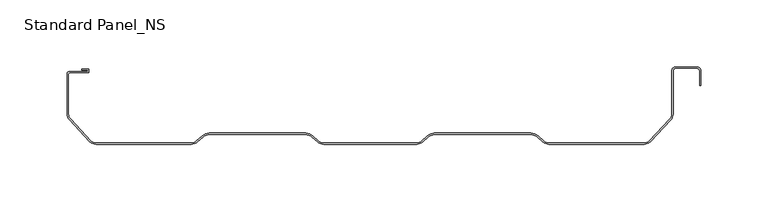
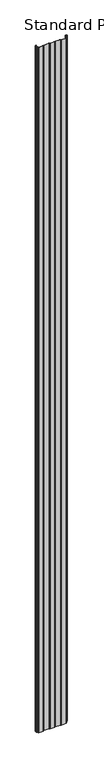
"""IFC4 building model written with IfcOpenShell, lengths in millimetres: proxy geometry, Standard Panel_NS."""

from ifc_helpers import new_model, si_unit, point, frame, frame_2d, origin, place, context, project, spatial, polyline, circle_curve, trimmed, segment, composite_curve, outline, extrude, source, transform, mapped, element, save


def standard_panel_ns_d6fc57d5(model_context):
    return source(origin(), model_context, "Body", "SweptSolid", [
        extrude(outline(composite_curve([segment(trimmed(circle_curve(frame_2d((242.25, 54.8581621)), 2.0), [point((244.25, 54.8581621))], [point((242.25, 56.8581621))], True, "CARTESIAN"), True, "CONTINUOUS"), segment(polyline([(242.25, 56.8581621), (226.5, 56.8581621)]), True, "CONTINUOUS"), segment(trimmed(circle_curve(frame_2d((226.5, 54.8581621)), 2.0), [point((226.5, 56.8581621))], [point((224.5, 54.8581621))], True, "CARTESIAN"), True, "CONTINUOUS"), segment(polyline([(224.5, 54.8581621), (224.5, 22.6923882)]), True, "CONTINUOUS"), segment(trimmed(circle_curve(frame_2d((218.0, 22.6923882)), 6.5), [point((224.5, 22.6923882))], [point((222.5961941, 18.0961941))], False, "CARTESIAN"), True, "CONTINUOUS"), segment(polyline([(222.5961941, 18.0961941), (207.4038059, 1.9038059)]), True, "CONTINUOUS"), segment(trimmed(circle_curve(frame_2d((202.8076118, 6.5)), 6.5), [point((207.4038059, 1.9038059))], [point((202.8076118, 0.0))], False, "CARTESIAN"), True, "CONTINUOUS"), segment(polyline([(202.8076118, 0.0), (131.8847763, 0.0)]), True, "CONTINUOUS"), segment(trimmed(circle_curve(frame_2d((131.8847763, 6.5)), 6.5), [point((131.8847763, 0.0))], [point((127.2885822, 1.9038059))], False, "CARTESIAN"), True, "CONTINUOUS"), segment(polyline([(127.2885822, 1.9038059), (123.0961941, 5.3961941)]), True, "CONTINUOUS"), segment(trimmed(circle_curve(frame_2d((118.5, 0.8)), 6.5), [point((123.0961941, 5.3961941))], [point((118.5, 7.3))], True, "CARTESIAN"), True, "CONTINUOUS"), segment(polyline([(118.5, 7.3), (46.5, 7.3)]), True, "CONTINUOUS"), segment(trimmed(circle_curve(frame_2d((46.5, 0.8)), 6.5), [point((46.5, 7.3))], [point((41.9038059, 5.3961941))], True, "CARTESIAN"), True, "CONTINUOUS"), segment(polyline([(41.9038059, 5.3961941), (37.7114178, 1.9038059)]), True, "CONTINUOUS"), segment(trimmed(circle_curve(frame_2d((33.1152237, 6.5)), 6.5), [point((37.7114178, 1.9038059))], [point((33.1152237, 0.0))], False, "CARTESIAN"), True, "CONTINUOUS"), segment(polyline([(33.1152237, 0.0), (-36.1152237, 0.0)]), True, "CONTINUOUS"), segment(trimmed(circle_curve(frame_2d((-36.1152237, 6.5)), 6.5), [point((-36.1152237, 0.0))], [point((-40.7114178, 1.9038059))], False, "CARTESIAN"), True, "CONTINUOUS"), segment(polyline([(-40.7114178, 1.9038059), (-44.9038059, 5.3961941)]), True, "CONTINUOUS"), segment(trimmed(circle_curve(frame_2d((-49.5, 0.8)), 6.5), [point((-44.9038059, 5.3961941))], [point((-49.5, 7.3))], True, "CARTESIAN"), True, "CONTINUOUS"), segment(polyline([(-49.5, 7.3), (-121.5, 7.3)]), True, "CONTINUOUS"), segment(trimmed(circle_curve(frame_2d((-121.5, 0.8)), 6.5), [point((-121.5, 7.3))], [point((-126.0961941, 5.3961941))], True, "CARTESIAN"), True, "CONTINUOUS"), segment(polyline([(-126.0961941, 5.3961941), (-130.2885822, 1.9038059)]), True, "CONTINUOUS"), segment(trimmed(circle_curve(frame_2d((-134.8847763, 6.5)), 6.5), [point((-130.2885822, 1.9038059))], [point((-134.8847763, 0.0))], False, "CARTESIAN"), True, "CONTINUOUS"), segment(polyline([(-134.8847763, 0.0), (-205.8076118, 0.0)]), True, "CONTINUOUS"), segment(trimmed(circle_curve(frame_2d((-205.8076118, 6.5)), 6.5), [point((-205.8076118, 0.0))], [point((-210.4038059, 1.9038059))], False, "CARTESIAN"), True, "CONTINUOUS"), segment(polyline([(-210.4038059, 1.9038059), (-225.5961941, 18.0961941)]), True, "CONTINUOUS"), segment(trimmed(circle_curve(frame_2d((-221.0, 22.6923882)), 6.5), [point((-225.5961941, 18.0961941))], [point((-227.5, 22.6923882))], False, "CARTESIAN"), True, "CONTINUOUS"), segment(polyline([(-227.5, 22.6923882), (-227.5, 52.45)]), True, "CONTINUOUS"), segment(trimmed(circle_curve(frame_2d((-225.5, 52.45)), 2.0), [point((-227.5, 52.45))], [point((-225.5, 54.45))], False, "CARTESIAN"), True, "CONTINUOUS"), segment(polyline([(-225.5, 54.45), (-212.15, 54.45), (-212.15, 55.35), (-216.4638134, 55.35), (-216.4638134, 56.35), (-211.45, 56.35), (-211.45, 53.45), (-225.5, 53.45)]), True, "CONTINUOUS"), segment(trimmed(circle_curve(frame_2d((-225.5, 52.45)), 1.0), [point((-225.5, 53.45))], [point((-226.5, 52.45))], True, "CARTESIAN"), True, "CONTINUOUS"), segment(polyline([(-226.5, 52.45), (-226.5, 22.6923882)]), True, "CONTINUOUS"), segment(trimmed(circle_curve(frame_2d((-221.0, 22.6923882)), 5.5), [point((-226.5, 22.6923882))], [point((-224.87828, 18.7925235))], True, "CARTESIAN"), True, "CONTINUOUS"), segment(polyline([(-224.87828, 18.7925235), (-209.6858919, 2.6001354)]), True, "CONTINUOUS"), segment(trimmed(circle_curve(frame_2d((-205.8076118, 6.5)), 5.5), [point((-209.6858919, 2.6001354))], [point((-205.8076118, 1.0))], True, "CARTESIAN"), True, "CONTINUOUS"), segment(polyline([(-205.8076118, 1.0), (-134.8847763, 1.0)]), True, "CONTINUOUS"), segment(trimmed(circle_curve(frame_2d((-134.8847763, 6.5)), 5.5), [point((-134.8847763, 1.0))], [point((-130.9650115, 2.6418341))], True, "CARTESIAN"), True, "CONTINUOUS"), segment(polyline([(-130.9650115, 2.6418341), (-126.7699113, 6.1364815)]), True, "CONTINUOUS"), segment(trimmed(circle_curve(frame_2d((-121.5, 0.8)), 7.5), [point((-126.7699113, 6.1364815))], [point((-121.5, 8.3))], False, "CARTESIAN"), True, "CONTINUOUS"), segment(polyline([(-121.5, 8.3), (-49.5, 8.3)]), True, "CONTINUOUS"), segment(trimmed(circle_curve(frame_2d((-49.5, 0.8)), 7.5), [point((-49.5, 8.3))], [point((-44.2300887, 6.1364815))], False, "CARTESIAN"), True, "CONTINUOUS"), segment(polyline([(-44.2300887, 6.1364815), (-40.0349885, 2.6418341)]), True, "CONTINUOUS"), segment(trimmed(circle_curve(frame_2d((-36.1152237, 6.5)), 5.5), [point((-40.0349885, 2.6418341))], [point((-36.1152237, 1.0))], True, "CARTESIAN"), True, "CONTINUOUS"), segment(polyline([(-36.1152237, 1.0), (33.1152237, 1.0)]), True, "CONTINUOUS"), segment(trimmed(circle_curve(frame_2d((33.1152237, 6.5)), 5.5), [point((33.1152237, 1.0))], [point((37.0349885, 2.6418341))], True, "CARTESIAN"), True, "CONTINUOUS"), segment(polyline([(37.0349885, 2.6418341), (41.2300887, 6.1364815)]), True, "CONTINUOUS"), segment(trimmed(circle_curve(frame_2d((46.5, 0.8)), 7.5), [point((41.2300887, 6.1364815))], [point((46.5, 8.3))], False, "CARTESIAN"), True, "CONTINUOUS"), segment(polyline([(46.5, 8.3), (118.5, 8.3)]), True, "CONTINUOUS"), segment(trimmed(circle_curve(frame_2d((118.5, 0.8)), 7.5), [point((118.5, 8.3))], [point((123.7699113, 6.1364815))], False, "CARTESIAN"), True, "CONTINUOUS"), segment(polyline([(123.7699113, 6.1364815), (127.9650115, 2.6418341)]), True, "CONTINUOUS"), segment(trimmed(circle_curve(frame_2d((131.8847763, 6.5)), 5.5), [point((127.9650115, 2.6418341))], [point((131.8847763, 1.0))], True, "CARTESIAN"), True, "CONTINUOUS"), segment(polyline([(131.8847763, 1.0), (202.8076118, 1.0)]), True, "CONTINUOUS"), segment(trimmed(circle_curve(frame_2d((202.8076118, 6.5)), 5.5), [point((202.8076118, 1.0))], [point((206.6858919, 2.6001354))], True, "CARTESIAN"), True, "CONTINUOUS"), segment(polyline([(206.6858919, 2.6001354), (221.87828, 18.7925235)]), True, "CONTINUOUS"), segment(trimmed(circle_curve(frame_2d((218.0, 22.6923882)), 5.5), [point((221.87828, 18.7925235))], [point((223.5, 22.6923882))], True, "CARTESIAN"), True, "CONTINUOUS"), segment(polyline([(223.5, 22.6923882), (223.5, 54.8581621)]), True, "CONTINUOUS"), segment(trimmed(circle_curve(frame_2d((226.5, 54.8581621)), 3.0), [point((223.5, 54.8581621))], [point((226.5, 57.8581621))], False, "CARTESIAN"), True, "CONTINUOUS"), segment(polyline([(226.5, 57.8581621), (242.25, 57.8581621)]), True, "CONTINUOUS"), segment(trimmed(circle_curve(frame_2d((242.25, 54.8581621)), 3.0), [point((242.25, 57.8581621))], [point((245.25, 54.8581621))], False, "CARTESIAN"), True, "CONTINUOUS"), segment(polyline([(245.25, 54.8581621), (245.25, 43.8581621), (244.25, 43.8581621), (244.25, 54.8581621)]), True, "CONTINUOUS")], self_intersect=False)), frame((0.0, 0.0, -250.0), z_axis=(0.0, 0.0, 1.0), x_axis=(1.0, 0.0, 0.0)), (0.0, 0.0, 1.0), 10753.00204),
    ])


if __name__ == "__main__":
    model = new_model("IFC4")
    model_context = context("Model", 3, world=origin())
    ifc_project = project(units=[si_unit("LENGTHUNIT", "METRE", prefix="MILLI")], contexts=[model_context])
    site = spatial("IfcSite", under=ifc_project)
    building = spatial("IfcBuilding", under=site)
    placement = place(None, origin())
    standard_panel_ns_shape = standard_panel_ns_d6fc57d5(model_context)
    element("IfcBuildingElementProxy", 1, Name="Standard Panel_NS", ObjectType="Standard Panel_NS", at=placement, inside=building, context=model_context, shape_type="MappedRepresentation", body=[
        mapped(standard_panel_ns_shape, transform((0.0, 0.0, 0.0), x_axis=(1.0, 0.0, 0.0), y_axis=(0.0, 1.0, 0.0), z_axis=(0.0, 0.0, 1.0))),
    ])
    save(model, "model.ifc")
